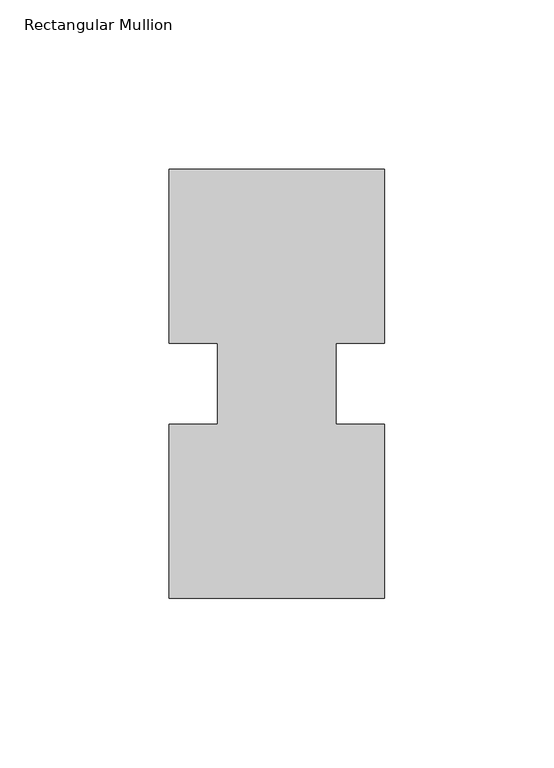
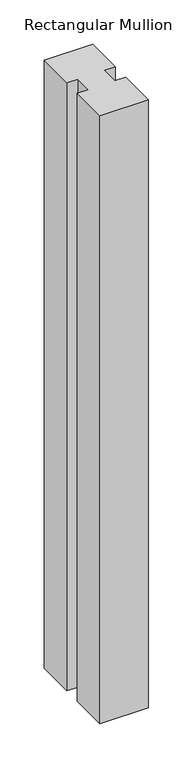
"""IFC4 building model written with IfcOpenShell, lengths in millimetres: member geometry, Rectangular Mullion."""

from ifc_helpers import new_model, si_unit, frame, origin, place, context, project, spatial, polyline, outline, extrude, source, transform, mapped, element, save


def rectangular_mullion_450d19bd(model_context):
    return source(origin(), model_context, "Body", "SweptSolid", [
        extrude(outline(polyline([(-63.5, 0.26035), (-63.5, 51.60645), (-49.2125, 51.60645), (-49.2125, 75.40625), (-63.5, 75.40625), (-63.5, 126.75235), (0.0, 126.75235), (0.0, 75.40625), (-14.2748, 75.40625), (-14.2748, 51.60645), (0.0, 51.60645), (0.0, 0.26035), (-63.5, 0.26035)])), frame((0.0, 0.0, -841.375), z_axis=(0.0, 0.0, 1.0), x_axis=(1.0, 0.0, 0.0)), (0.0, 0.0, 1.0), 841.375),
    ])


if __name__ == "__main__":
    model = new_model("IFC4")
    model_context = context("Model", 3, world=origin())
    ifc_project = project(units=[si_unit("LENGTHUNIT", "METRE", prefix="MILLI")], contexts=[model_context])
    site = spatial("IfcSite", under=ifc_project)
    building = spatial("IfcBuilding", under=site)
    placement = place(None, origin())
    rectangular_mullion_shape = rectangular_mullion_450d19bd(model_context)
    element("IfcMember", 1, ObjectType="Rectangular Mullion", at=placement, inside=building, context=model_context, shape_type="MappedRepresentation", body=[
        mapped(rectangular_mullion_shape, transform((0.0, 0.0, 0.0), x_axis=(1.0, 0.0, 0.0), y_axis=(0.0, 1.0, 0.0), z_axis=(0.0, 0.0, 1.0))),
    ])
    save(model, "model.ifc")
